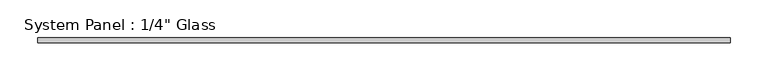
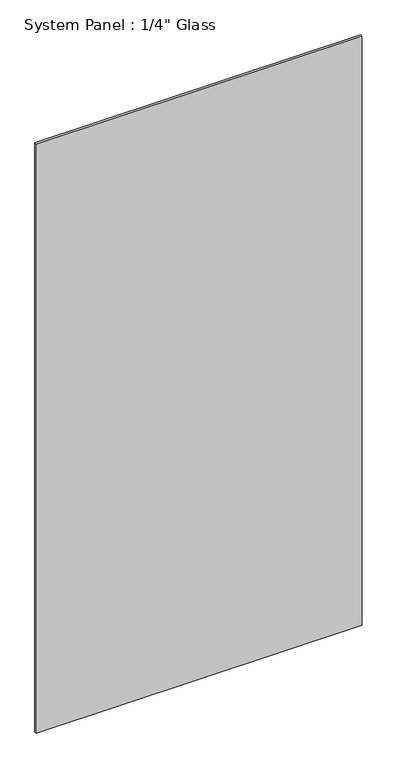
"""IFC4 building model written with IfcOpenShell, lengths in millimetres: plate geometry."""

from ifc_helpers import new_model, si_unit, origin, origin_with_axes, place, context, project, spatial, polyline, outline, extrude, source, transform, mapped, element, save


def plate_f265473f(model_context):
    return source(origin(), model_context, "Body", "SweptSolid", [
        extrude(outline(polyline([(455.9509605, -3.175), (-455.9509605, -3.175), (-455.9509605, 3.175), (455.9509605, 3.175), (455.9509605, -3.175)])), origin_with_axes(), (0.0, 0.0, 1.0), 1739.9),
    ])


if __name__ == "__main__":
    model = new_model("IFC4")
    model_context = context("Model", 3, world=origin())
    ifc_project = project(units=[si_unit("LENGTHUNIT", "METRE", prefix="MILLI")], contexts=[model_context])
    site = spatial("IfcSite", under=ifc_project)
    building = spatial("IfcBuilding", under=site)
    placement = place(None, origin())
    plate_shape = plate_f265473f(model_context)
    element("IfcPlate", 1, ObjectType="System Panel : 1/4\" Glass", at=placement, inside=building, context=model_context, shape_type="MappedRepresentation", body=[
        mapped(plate_shape, transform((0.0, 0.0, 0.0), x_axis=(1.0, 0.0, 0.0), y_axis=(0.0, 1.0, 0.0), z_axis=(0.0, 0.0, 1.0))),
    ])
    save(model, "model.ifc")
